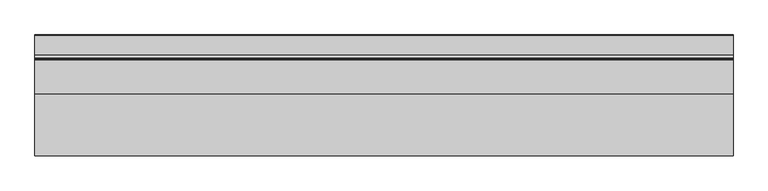
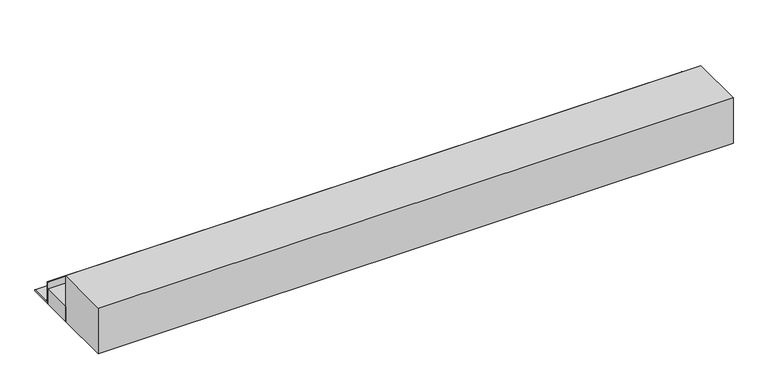
"""IFC4 building model written with IfcOpenShell, lengths in millimetres: beam geometry."""

from ifc_helpers import new_model, si_unit, frame, origin, place, context, project, spatial, polyline, circle_curve, outline, extrude, faceted_brep, source, transform, mapped, element, save
from ifc_brep_helpers import plane_surface, cylinder_surface, revolved_surface, advanced_brep


def beam_69798934(model_context):
    return source(origin(), model_context, "Body", "SolidModel", [
        advanced_brep(
        [(395.814718, 5290.0, 2700.0), (395.814718, 5190.0, 2700.0), (395.814718, 5190.0, 2768.9909984), (395.814718, 5190.0, 2800.0), (395.814718, 5192.211754, 2800.0), (395.814718, 5195.0, 2797.211754), (395.814718, 5195.0, 2718.0410426), (395.814718, 5208.0410426, 2705.0), (395.814718, 5287.4745866, 2705.0), (395.814718, 5290.0, 2702.4745866), (3229.185282, 5290.0, 2700.0), (3229.185282, 5290.0, 2702.4745866), (3229.185282, 5287.4745866, 2705.0), (3229.185282, 5208.0410426, 2705.0), (3229.185282, 5195.0, 2718.0410426), (3229.185282, 5195.0, 2797.211754), (3229.185282, 5192.211754, 2800.0), (3229.185282, 5190.0, 2800.0), (3229.185282, 5190.0, 2768.9909984), (3229.185282, 5190.0, 2700.0), (637.5, 5290.0, 2700.0), (2987.5, 5290.0, 2700.0)],
        [
            (0, 1),
            (1, 2),
            (2, 3),
            (3, 4),
            (4, 5, circle_curve(frame((395.814718, 5192.211754, 2797.211754), z_axis=(-1.0, 0.0, 0.0), x_axis=(0.0, -1.0, 0.0)), 2.788246)),
            (5, 6),
            (6, 7, circle_curve(frame((395.814718, 5208.0410426, 2718.0410426), z_axis=(1.0, 0.0, 0.0), x_axis=(0.0, -1.0, 0.0)), 13.0410426)),
            (7, 8),
            (8, 9, circle_curve(frame((395.814718, 5287.4745866, 2702.4745866), z_axis=(-1.0, 0.0, 0.0), x_axis=(0.0, -1.0, 0.0)), 2.5254134)),
            (9, 0),
            (10, 11),
            (11, 12, circle_curve(frame((3229.185282, 5287.4745866, 2702.4745866), z_axis=(1.0, 0.0, 0.0), x_axis=(0.0, -1.0, 0.0)), 2.5254134)),
            (12, 13),
            (13, 14, circle_curve(frame((3229.185282, 5208.0410426, 2718.0410426), z_axis=(-1.0, 0.0, 0.0), x_axis=(0.0, -1.0, 0.0)), 13.0410426)),
            (14, 15),
            (15, 16, circle_curve(frame((3229.185282, 5192.211754, 2797.211754), z_axis=(1.0, 0.0, 0.0), x_axis=(0.0, -1.0, 0.0)), 2.788246)),
            (16, 17),
            (17, 18),
            (18, 19),
            (19, 10),
            (0, 20),
            (20, 21),
            (21, 10),
            (19, 1),
            (17, 3),
            (16, 4),
            (9, 11),
            (15, 5),
            (14, 6),
            (13, 7),
            (12, 8),
        ],
        [
            plane_surface(frame((395.814718, 5440.0, 2700.0), z_axis=(-1.0, 0.0, 0.0), x_axis=(0.0, -1.0, 0.0))),
            plane_surface(frame((3229.185282, 5440.0, 2700.0), z_axis=(1.0, 0.0, 0.0), x_axis=(0.0, 1.0, 0.0))),
            plane_surface(frame((395.814718, 5290.0, 2700.0), z_axis=(0.0, 0.0, -1.0), x_axis=(1.0, 0.0, 0.0))),
            plane_surface(frame((395.814718, 5190.0, 2700.0), z_axis=(0.0, -1.0, 0.0), x_axis=(1.0, 0.0, 0.0))),
            plane_surface(frame((395.814718, 5190.0, 2800.0), z_axis=(0.0, 0.0, 1.0), x_axis=(1.0, 0.0, 0.0))),
            plane_surface(frame((395.814718, 5290.0, 2702.4745866), z_axis=(0.0, 1.0, 0.0), x_axis=(1.0, 0.0, 0.0))),
            cylinder_surface(frame((3229.185282, 5192.211754, 2797.211754), z_axis=(-1.0, 0.0, 0.0), x_axis=(0.0, -1.0, 0.0)), 2.788246),
            plane_surface(frame((395.814718, 5195.0, 2797.211754), z_axis=(0.0, 1.0, 0.0), x_axis=(1.0, 0.0, 0.0))),
            revolved_surface(polyline([(3229.185282, 5195.0, 2718.0410426), (395.8147180000001, 5195.0, 2718.0410426)]), (3229.185282, 5208.0410426, 2718.0410426), (1.0, 0.0, 0.0)),
            plane_surface(frame((395.814718, 5208.0410426, 2705.0), z_axis=(0.0, 0.0, 1.0), x_axis=(1.0, 0.0, 0.0))),
            cylinder_surface(frame((3229.185282, 5287.4745866, 2702.4745866), z_axis=(-1.0, 0.0, 0.0), x_axis=(0.0, -1.0, 0.0)), 2.5254134),
        ],
        [
            (0, [[1, 2, 3, 4, 5, 6, 7, 8, 9, 10]]),
            (1, [[11, 12, 13, 14, 15, 16, 17, 18, 19, 20]]),
            (2, [[-1, 21, 22, 23, -20, 24]]),
            (3, [[-3, -2, -24, -19, -18, 25]]),
            (4, [[-4, -25, -17, 26]]),
            (5, [[-10, 27, -11, -23, -22, -21]]),
            (6, [[-5, -26, -16, 28]]),
            (7, [[-6, -28, -15, 29]]),
            (8, [[-7, -29, -14, 30]]),
            (9, [[-8, -30, -13, 31]]),
            (10, [[-9, -31, -12, -27]]),
        ],
    ),
        extrude(outline(polyline([(395.814718, 5050.0), (395.814718, 5190.0), (3229.185282, 5190.0), (3229.185282, 5050.0), (395.814718, 5050.0)])), frame((0.0, 0.0, 2700.0), z_axis=(0.0, 0.0, 1.0), x_axis=(1.0, 0.0, 0.0)), (0.0, 0.0, 1.0), 68.9909984),
        faceted_brep([(395.814718, 5050.0, 2700.0), (395.814718, 4800.0, 2700.0), (395.814718, 4800.0, 2915.0), (395.814718, 5050.0, 2915.0), (395.814718, 5050.0, 2768.9909984), (3229.185282, 5050.0, 2700.0), (3229.185282, 5050.0, 2768.9909984), (3229.185282, 5050.0, 2915.0), (3229.185282, 4800.0, 2915.0), (3229.185282, 4800.0, 2700.0), (2987.5, 4800.0, 2700.0), (637.5, 4800.0, 2700.0)], [[[0, 1, 2, 3, 4]], [[5, 6, 7, 8, 9]], [[1, 0, 5, 9, 10, 11]], [[2, 1, 11, 10, 9, 8]], [[3, 2, 8, 7]], [[0, 4, 3, 7, 6, 5]]]),
    ])


if __name__ == "__main__":
    model = new_model("IFC4")
    model_context = context("Model", 3, world=origin())
    ifc_project = project(units=[si_unit("LENGTHUNIT", "METRE", prefix="MILLI")], contexts=[model_context])
    site = spatial("IfcSite", under=ifc_project)
    building = spatial("IfcBuilding", under=site)
    placement = place(None, origin())
    beam_shape = beam_69798934(model_context)
    element("IfcBeam", 1, at=placement, inside=building, context=model_context, shape_type="MappedRepresentation", body=[
        mapped(beam_shape, transform((0.0, 0.0, 0.0), x_axis=(1.0, 0.0, 0.0), y_axis=(0.0, 1.0, 0.0), z_axis=(0.0, 0.0, 1.0))),
    ])
    save(model, "model.ifc")
